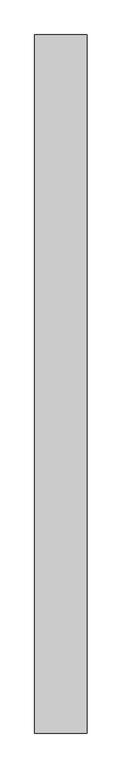
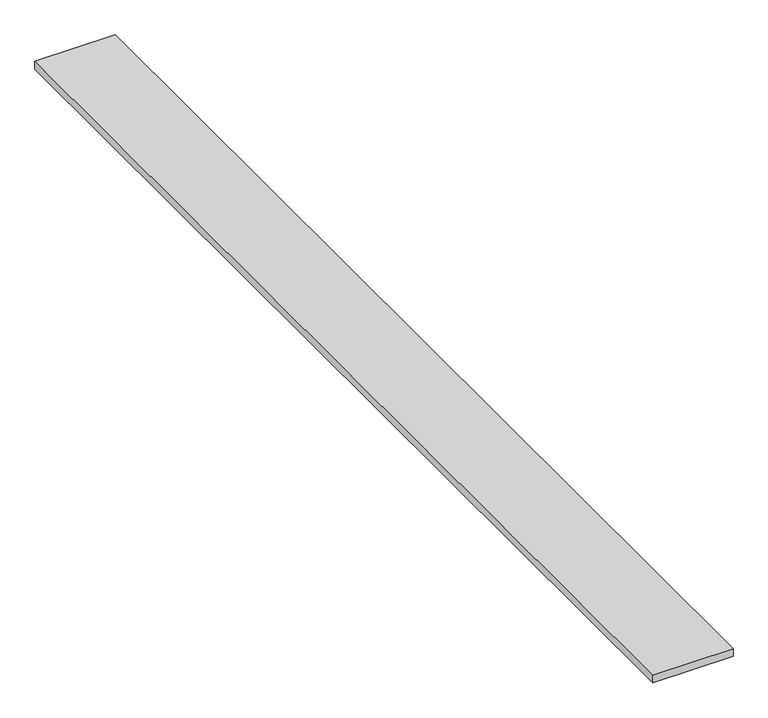
"""IFC4 building model written with IfcOpenShell, lengths in millimetres: proxy geometry."""

from ifc_helpers import new_model, si_unit, origin, origin_with_axes, place, context, project, spatial, polyline, outline, extrude, source, transform, mapped, element, save


def generic_models_d2c1f09f(model_context):
    return source(origin(), model_context, "Body", "SweptSolid", [
        extrude(outline(polyline([(1500.0, -20000.0), (0.0, -20000.0), (0.0, 0.0), (1500.0, 0.0), (1500.0, -20000.0)])), origin_with_axes(), (0.0, 0.0, 1.0), 150.0),
    ])


if __name__ == "__main__":
    model = new_model("IFC4")
    model_context = context("Model", 3, world=origin())
    ifc_project = project(units=[si_unit("LENGTHUNIT", "METRE", prefix="MILLI")], contexts=[model_context])
    site = spatial("IfcSite", under=ifc_project)
    building = spatial("IfcBuilding", under=site)
    placement = place(None, origin())
    generic_models_shape = generic_models_d2c1f09f(model_context)
    element("IfcBuildingElementProxy", 1, Name="Generic Models", at=placement, inside=building, context=model_context, shape_type="MappedRepresentation", body=[
        mapped(generic_models_shape, transform((0.0, 0.0, 0.0), x_axis=(1.0, 0.0, 0.0), y_axis=(0.0, 1.0, 0.0), z_axis=(0.0, 0.0, 1.0))),
    ])
    save(model, "model.ifc")
